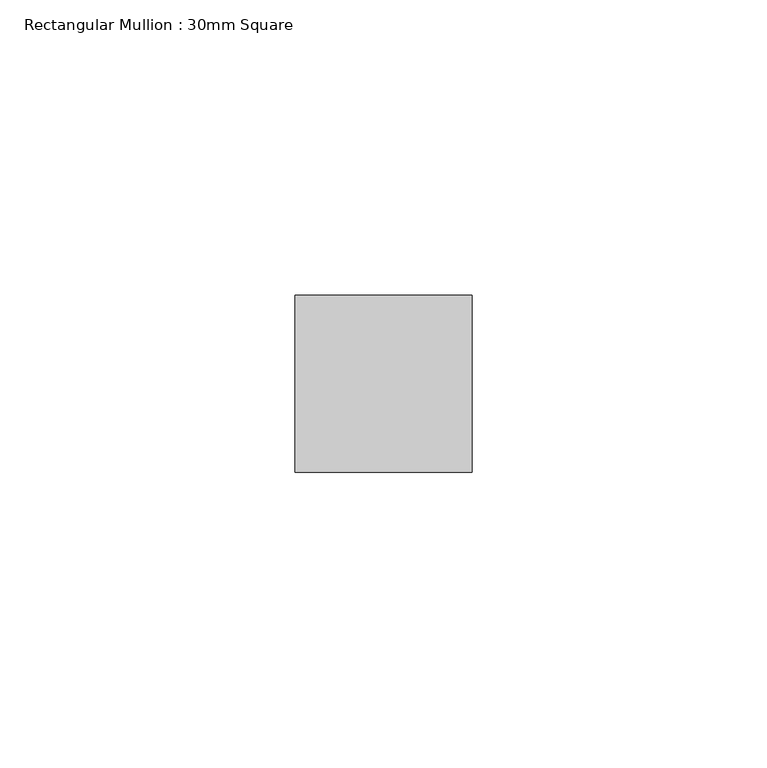
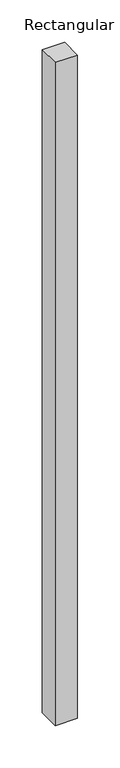
"""IFC4 building model written with IfcOpenShell, lengths in millimetres: member geometry, Rectangular Mullion : 30mm Square."""

from ifc_helpers import new_model, si_unit, frame, origin, place, context, project, spatial, polyline, outline, extrude, source, transform, mapped, element, save


def rectangular_mullion_30mm_square_b66f6e69(model_context):
    return source(origin(), model_context, "Body", "SweptSolid", [
        extrude(outline(polyline([(15.0, 15.0), (15.0, -15.0), (-15.0, -15.0), (-15.0, 15.0), (15.0, 15.0)])), frame((0.0, 0.0, -953.5066633), z_axis=(0.0, 0.0, 1.0), x_axis=(1.0, 0.0, 0.0)), (0.0, 0.0, 1.0), 953.5066633),
    ])


if __name__ == "__main__":
    model = new_model("IFC4")
    model_context = context("Model", 3, world=origin())
    ifc_project = project(units=[si_unit("LENGTHUNIT", "METRE", prefix="MILLI")], contexts=[model_context])
    site = spatial("IfcSite", under=ifc_project)
    building = spatial("IfcBuilding", under=site)
    placement = place(None, origin())
    rectangular_mullion_30mm_square_shape = rectangular_mullion_30mm_square_b66f6e69(model_context)
    element("IfcMember", 1, ObjectType="Rectangular Mullion : 30mm Square", at=placement, inside=building, context=model_context, shape_type="MappedRepresentation", body=[
        mapped(rectangular_mullion_30mm_square_shape, transform((0.0, 0.0, 0.0), x_axis=(1.0, 0.0, 0.0), y_axis=(0.0, 1.0, 0.0), z_axis=(0.0, 0.0, 1.0))),
    ])
    save(model, "model.ifc")
